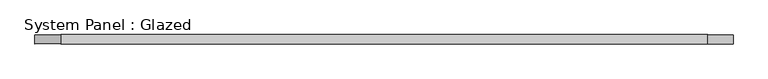
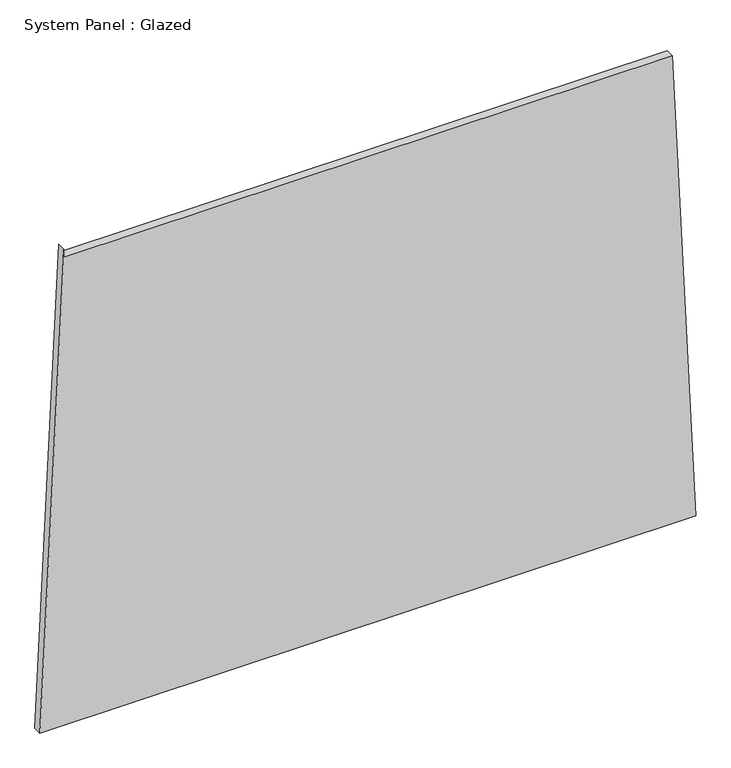
"""IFC4 building model written with IfcOpenShell, lengths in millimetres: plate geometry, System Panel : Glazed."""

from ifc_helpers import new_model, si_unit, frame, origin, place, context, project, spatial, polyline, outline, extrude, source, transform, mapped, element, save


def system_panel_glazed_4756dbc0(model_context):
    return source(origin(), model_context, "Body", "SweptSolid", [
        extrude(outline(polyline([(0.0, -960.1413794), (0.0, 960.1413794), (1448.2901698, 890.9301387), (1448.2900507, -889.7308159), (1473.2900507, -889.7308176), (0.0, -960.1413794)])), frame((0.0, -49.5, 0.0), z_axis=(0.0, 1.0, 0.0), x_axis=(0.0, 0.0, 1.0)), (0.0, 0.0, 1.0), 25.0),
    ])


if __name__ == "__main__":
    model = new_model("IFC4")
    model_context = context("Model", 3, world=origin())
    ifc_project = project(units=[si_unit("LENGTHUNIT", "METRE", prefix="MILLI")], contexts=[model_context])
    site = spatial("IfcSite", under=ifc_project)
    building = spatial("IfcBuilding", under=site)
    placement = place(None, origin())
    system_panel_glazed_shape = system_panel_glazed_4756dbc0(model_context)
    element("IfcPlate", 1, ObjectType="System Panel : Glazed", at=placement, inside=building, context=model_context, shape_type="MappedRepresentation", body=[
        mapped(system_panel_glazed_shape, transform((0.0, 0.0, 0.0), x_axis=(1.0, 0.0, 0.0), y_axis=(0.0, 1.0, 0.0), z_axis=(0.0, 0.0, 1.0))),
    ])
    save(model, "model.ifc")
